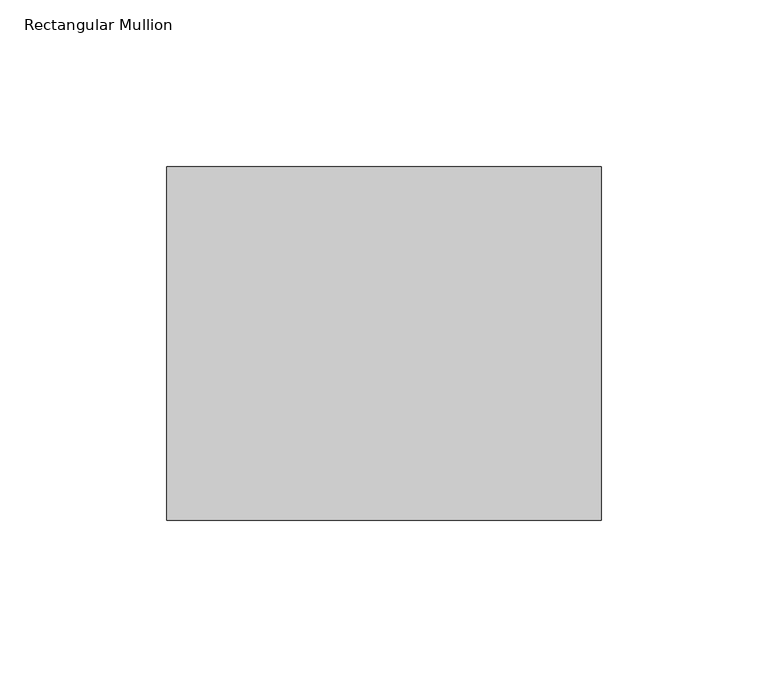
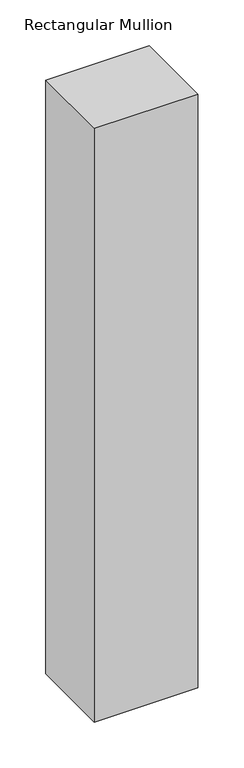
"""IFC4 building model written with IfcOpenShell, lengths in millimetres: member geometry, Rectangular Mullion."""

import ifcopenshell
import ifcopenshell.guid

model = None  # the IFC model being written
_history = None  # IfcOwnerHistory: only IFC2X3 demands one
_inside = {}  # id of a spatial element -> (the spatial element, [elements in it])
_under = {}  # id of a project, library or spatial element -> (it, [spatial elements below it])
_declared = {}  # id of a project -> (the project, [libraries it declares])
_typed = {}  # id of a type object -> (the type object, [elements of that type])
_made_of = {}  # id of a material, layer set ... -> (it, [elements and type objects made of it])


def new_model(schema):
    """Start an empty IFC model of exactly this schema.

    Asked for "IFC4X3", IfcOpenShell would pick the latest addendum, in which some entities
    have other attributes; the version numbers below select the first issue.
    IFC2X3 requires an IfcOwnerHistory on every rooted entity: one is made here for all.
    """
    global model, _history
    if schema == "IFC4X3":
        model = ifcopenshell.file(schema_version=(4, 3, 0, 0))
    else:
        model = ifcopenshell.file(schema=schema)
    _inside.clear()
    _under.clear()
    _declared.clear()
    _typed.clear()
    _made_of.clear()
    _history = None
    if model.schema == "IFC2X3":
        org = make("IfcOrganization", Name="unknown")
        user = make(
            "IfcPersonAndOrganization",
            ThePerson=make("IfcPerson", FamilyName="unknown"),
            TheOrganization=org,
        )
        app = make(
            "IfcApplication",
            ApplicationDeveloper=org,
            Version="unknown",
            ApplicationFullName="unknown",
            ApplicationIdentifier="unknown",
        )
        _history = make(
            "IfcOwnerHistory",
            OwningUser=user,
            OwningApplication=app,
            ChangeAction="ADDED",
            CreationDate=0,
        )
    return model


def make(cls, **values):
    """One entity of the class cls with the attributes given. An attribute that is None is left unset."""
    return model.create_entity(
        cls, **{name: value for name, value in values.items() if value is not None}
    )


def rooted(cls, **values):
    """An entity with a GlobalId (a new one), such as an element, a storey or a relation."""
    return make(cls, GlobalId=ifcopenshell.guid.new(), OwnerHistory=_history, **values)


def si_unit(unit_type, name, prefix=None):
    """IfcSIUnit, for example si_unit("LENGTHUNIT", "METRE", prefix="MILLI")."""
    return make("IfcSIUnit", UnitType=unit_type, Prefix=prefix, Name=name)


def assignment(units):
    """IfcUnitAssignment: the units of a project."""
    return None if units is None else make("IfcUnitAssignment", Units=units)


def point(xyz):
    """IfcCartesianPoint."""
    return None if xyz is None else make("IfcCartesianPoint", Coordinates=xyz)


def direction(xyz):
    """IfcDirection."""
    return None if xyz is None else make("IfcDirection", DirectionRatios=xyz)


def frame(location, z_axis=None, x_axis=None):
    """IfcAxis2Placement3D, a coordinate frame: its origin and axes. An axis left out is left unset."""
    return make(
        "IfcAxis2Placement3D",
        Location=point(location),
        Axis=direction(z_axis),
        RefDirection=direction(x_axis),
    )


def origin():
    """The frame at (0, 0, 0) with its axes left unset."""
    return frame((0.0, 0.0, 0.0))


def place(relative_to, where):
    """IfcLocalPlacement: puts the frame where relative to a parent placement (None: the world)."""
    return make(
        "IfcLocalPlacement", PlacementRelTo=relative_to, RelativePlacement=where
    )


def context(
    kind, dimensions, precision=None, world=None, true_north=None, identifier=None
):
    """IfcGeometricRepresentationContext, for example the 3D "Model" context."""
    return make(
        "IfcGeometricRepresentationContext",
        ContextIdentifier=identifier,
        ContextType=kind,
        CoordinateSpaceDimension=dimensions,
        Precision=precision,
        WorldCoordinateSystem=world,
        TrueNorth=true_north,
    )


def project(units=None, contexts=None):
    """IfcProject with its units and contexts."""
    return rooted(
        "IfcProject",
        Name="project",
        RepresentationContexts=contexts,
        UnitsInContext=assignment(units),
    )


def spatial(cls, under=None, at=None, **own):
    """A site, building, storey or space (cls), placed at a placement, below another one or the project."""
    s = rooted(cls, ObjectPlacement=at, **own)
    if under is not None:
        _under.setdefault(under.id(), (under, []))[1].append(s)
    return s


def polyline(points):
    """IfcPolyline through the points."""
    return make("IfcPolyline", Points=[point(p) for p in points])


def outline(outer, holes=None, kind="AREA"):
    """IfcArbitraryClosedProfileDef: a profile drawn as a closed curve; with holes, ...WithVoids."""
    if holes is None:
        return make("IfcArbitraryClosedProfileDef", ProfileType=kind, OuterCurve=outer)
    return make(
        "IfcArbitraryProfileDefWithVoids",
        ProfileType=kind,
        OuterCurve=outer,
        InnerCurves=holes,
    )


def extrude(swept, where, along, depth):
    """IfcExtrudedAreaSolid: the profile swept, set in the frame where, extruded along a direction by depth."""
    return make(
        "IfcExtrudedAreaSolid",
        SweptArea=swept,
        Position=where,
        ExtrudedDirection=direction(along),
        Depth=depth,
    )


def shape(context_of_items, identifier, shape_type, items):
    """IfcShapeRepresentation: the items that make up one representation, for example the "Body"."""
    return make(
        "IfcShapeRepresentation",
        ContextOfItems=context_of_items,
        RepresentationIdentifier=identifier,
        RepresentationType=shape_type,
        Items=items,
    )


def source(mapping_origin, context_of_items, identifier, shape_type, items):
    """IfcRepresentationMap: a shape defined once, which mapped items show again and again."""
    return make(
        "IfcRepresentationMap",
        MappingOrigin=mapping_origin,
        MappedRepresentation=shape(context_of_items, identifier, shape_type, items),
    )


def transform(
    local_origin,
    x_axis=None,
    y_axis=None,
    z_axis=None,
    scale=None,
    scale2=None,
    scale3=None,
    uniform=True,
):
    """IfcCartesianTransformationOperator3D, or its non-uniform kind. x_axis, y_axis, z_axis: its Axis1, 2, 3."""
    if uniform:
        return make(
            "IfcCartesianTransformationOperator3D",
            Axis1=direction(x_axis),
            Axis2=direction(y_axis),
            LocalOrigin=point(local_origin),
            Scale=scale,
            Axis3=direction(z_axis),
        )
    return make(
        "IfcCartesianTransformationOperator3DnonUniform",
        Axis1=direction(x_axis),
        Axis2=direction(y_axis),
        LocalOrigin=point(local_origin),
        Scale=scale,
        Axis3=direction(z_axis),
        Scale2=scale2,
        Scale3=scale3,
    )


def mapped(mapping_source, mapping_target):
    """IfcMappedItem: shows the shape of a source again, moved by a transform."""
    return make(
        "IfcMappedItem", MappingSource=mapping_source, MappingTarget=mapping_target
    )


def made_of(thing, what):
    """Note that an element or type object is made of a material, layer set ...; save() writes the relation."""
    if what is not None:
        _made_of.setdefault(what.id(), (what, []))[1].append(thing)
    return thing


def element(
    cls,
    number,
    at=None,
    inside=None,
    cuts=None,
    type_object=None,
    material=None,
    context=None,
    identifier="Body",
    shape_type=None,
    held_by="IfcProductDefinitionShape",
    body=None,
    shapes=None,
    **own,
):
    """One element of the class cls, such as IfcWall. Its Tag is "e" and its number.

    at: its placement. inside: the storey or other place that contains it. cuts: it is an
    opening in that element (IfcRelVoidsElement). A single representation is given by context,
    identifier, shape_type and body (its items); several are given by shapes. held_by: the class
    of the entity that holds the representations. save() writes the other relations.
    """
    e = rooted(cls, Tag="e%d" % number, ObjectPlacement=at, **own)
    if body is not None:
        shapes = [shape(context, identifier, shape_type, body)]
    if shapes is not None:
        e.Representation = make(held_by, Representations=shapes)
    if inside is not None:
        _inside.setdefault(inside.id(), (inside, []))[1].append(e)
    if cuts is not None:
        rooted(
            "IfcRelVoidsElement", RelatingBuildingElement=cuts, RelatedOpeningElement=e
        )
    if type_object is not None:
        _typed.setdefault(type_object.id(), (type_object, []))[1].append(e)
    return made_of(e, material)


def aggregate(whole, parts):
    """IfcRelAggregates: a whole, such as a stair, and the parts it consists of."""
    return rooted("IfcRelAggregates", RelatingObject=whole, RelatedObjects=parts)


def save(model, path):
    """Write the relations noted so far, then the file.

    IfcRelAggregates (storeys below a building ...), IfcRelContainedInSpatialStructure (elements
    in a storey), IfcRelDefinesByType, IfcRelAssociatesMaterial and IfcRelDeclares: one each for
    every whole, place, type object, material and project.
    """
    for whole, parts in _under.values():
        aggregate(whole, parts)
    for where, things in _inside.values():
        rooted(
            "IfcRelContainedInSpatialStructure",
            RelatedElements=things,
            RelatingStructure=where,
        )
    for kind, things in _typed.values():
        rooted("IfcRelDefinesByType", RelatedObjects=things, RelatingType=kind)
    for what, things in _made_of.values():
        rooted("IfcRelAssociatesMaterial", RelatedObjects=things, RelatingMaterial=what)
    for by, libraries in _declared.values():
        rooted("IfcRelDeclares", RelatingContext=by, RelatedDefinitions=libraries)
    model.write(path)


def rectangular_mullion_b3f961fe(model_context):
    return source(origin(), model_context, "Body", "SweptSolid", [
        extrude(outline(polyline([(-130.0, 52.8779994), (0.0, 52.8779994), (0.0, -52.8779994), (-130.0, -52.8779994), (-130.0, 52.8779994)])), frame((0.0, 0.0, -790.0), z_axis=(0.0, 0.0, 1.0), x_axis=(1.0, 0.0, 0.0)), (0.0, 0.0, 1.0), 790.0),
    ])


if __name__ == "__main__":
    model = new_model("IFC4")
    model_context = context("Model", 3, world=origin())
    ifc_project = project(units=[si_unit("LENGTHUNIT", "METRE", prefix="MILLI")], contexts=[model_context])
    site = spatial("IfcSite", under=ifc_project)
    building = spatial("IfcBuilding", under=site)
    placement = place(None, origin())
    rectangular_mullion_shape = rectangular_mullion_b3f961fe(model_context)
    element("IfcMember", 1, ObjectType="Rectangular Mullion", at=placement, inside=building, context=model_context, shape_type="MappedRepresentation", body=[
        mapped(rectangular_mullion_shape, transform((0.0, 0.0, 0.0), x_axis=(1.0, 0.0, 0.0), y_axis=(0.0, 1.0, 0.0), z_axis=(0.0, 0.0, 1.0))),
    ])
    save(model, "model.ifc")
